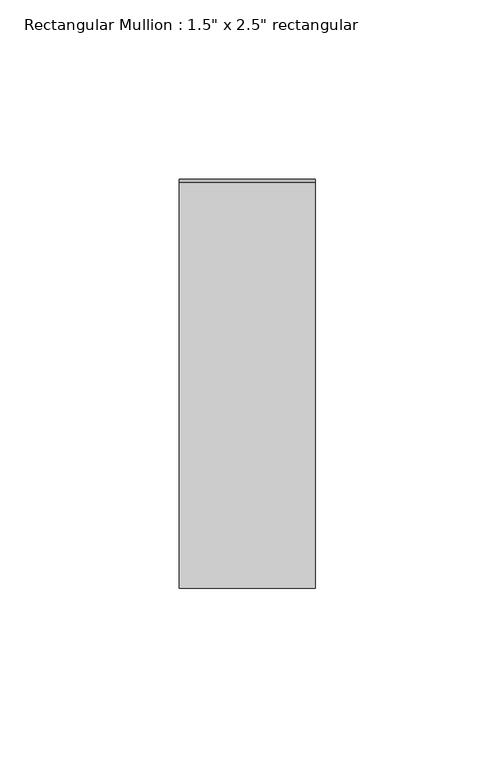
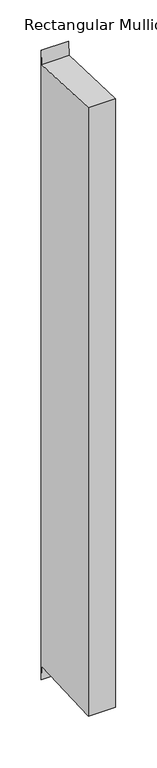
"""IFC4 building model written with IfcOpenShell, lengths in millimetres: member geometry."""

from ifc_helpers import new_model, si_unit, frame, origin, place, context, project, spatial, polyline, outline, extrude, source, transform, mapped, element, save


def member_e831dd52(model_context):
    return source(origin(), model_context, "Body", "SweptSolid", [
        extrude(outline(polyline([(-57.15, 2.4770742), (56.2646565, -2.4747166), (57.15, 17.8029826), (57.15, -910.3662314), (56.2646565, -890.0885322), (-57.15, -895.0403231), (-57.15, 2.4770742)])), frame((-38.1, 0.0, 0.0), z_axis=(1.0, 0.0, 0.0), x_axis=(0.0, 1.0, 0.0)), (0.0, 0.0, 1.0), 38.1),
    ])


if __name__ == "__main__":
    model = new_model("IFC4")
    model_context = context("Model", 3, world=origin())
    ifc_project = project(units=[si_unit("LENGTHUNIT", "METRE", prefix="MILLI")], contexts=[model_context])
    site = spatial("IfcSite", under=ifc_project)
    building = spatial("IfcBuilding", under=site)
    placement = place(None, origin())
    member_shape = member_e831dd52(model_context)
    element("IfcMember", 1, ObjectType="Rectangular Mullion : 1.5\" x 2.5\" rectangular", at=placement, inside=building, context=model_context, shape_type="MappedRepresentation", body=[
        mapped(member_shape, transform((0.0, 0.0, 0.0), x_axis=(1.0, 0.0, 0.0), y_axis=(0.0, 1.0, 0.0), z_axis=(0.0, 0.0, 1.0))),
    ])
    save(model, "model.ifc")
